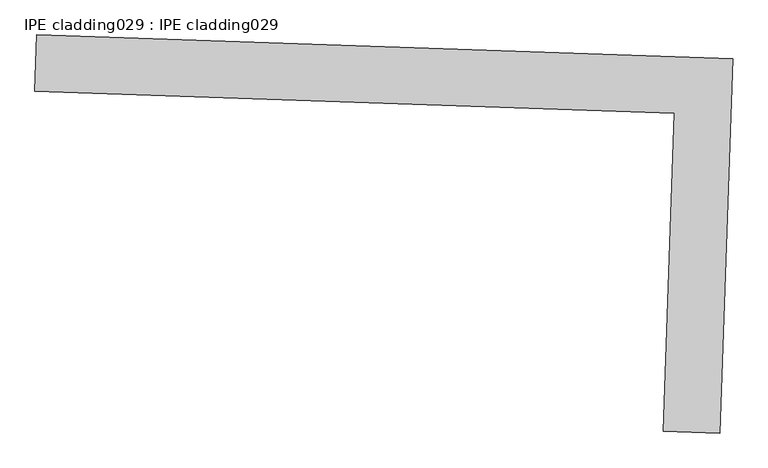
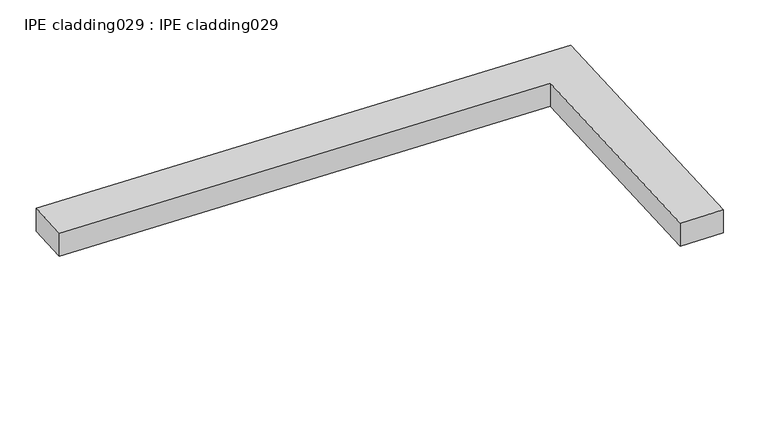
"""IFC4 building model written with IfcOpenShell, lengths in millimetres: proxy geometry, IPE cladding029 : IPE cladding029."""

from ifc_helpers import new_model, si_unit, frame, origin, place, context, project, spatial, polyline, outline, extrude, source, transform, mapped, element, save


def ipe_cladding029_ipe_cladding029_365b9d89(model_context):
    return source(origin(), model_context, "Body", "SweptSolid", [
        extrude(outline(polyline([(17306.5036739, -14579.7359084), (17309.5442108, -14490.8879195), (18404.9713724, -14528.3753921), (18384.8189492, -15117.2524307), (18295.9709601, -15114.211894), (18313.0828468, -14614.1828441), (17306.5036739, -14579.7359084)])), frame((0.0, 0.0, 2766.375707), z_axis=(0.0, 0.0, 1.0), x_axis=(1.0, 0.0, 0.0)), (0.0, 0.0, 1.0), 50.8),
    ])


if __name__ == "__main__":
    model = new_model("IFC4")
    model_context = context("Model", 3, world=origin())
    ifc_project = project(units=[si_unit("LENGTHUNIT", "METRE", prefix="MILLI")], contexts=[model_context])
    site = spatial("IfcSite", under=ifc_project)
    building = spatial("IfcBuilding", under=site)
    placement = place(None, origin())
    ipe_cladding029_ipe_cladding029_shape = ipe_cladding029_ipe_cladding029_365b9d89(model_context)
    element("IfcBuildingElementProxy", 1, Name="IPE cladding029 : IPE cladding029", ObjectType="IPE cladding029 : IPE cladding029", at=placement, inside=building, context=model_context, shape_type="MappedRepresentation", body=[
        mapped(ipe_cladding029_ipe_cladding029_shape, transform((0.0, 0.0, 0.0), x_axis=(1.0, 0.0, 0.0), y_axis=(0.0, 1.0, 0.0), z_axis=(0.0, 0.0, 1.0))),
    ])
    save(model, "model.ifc")
